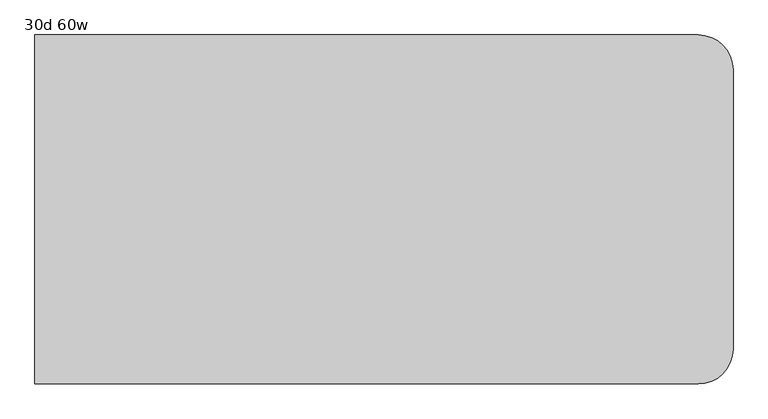
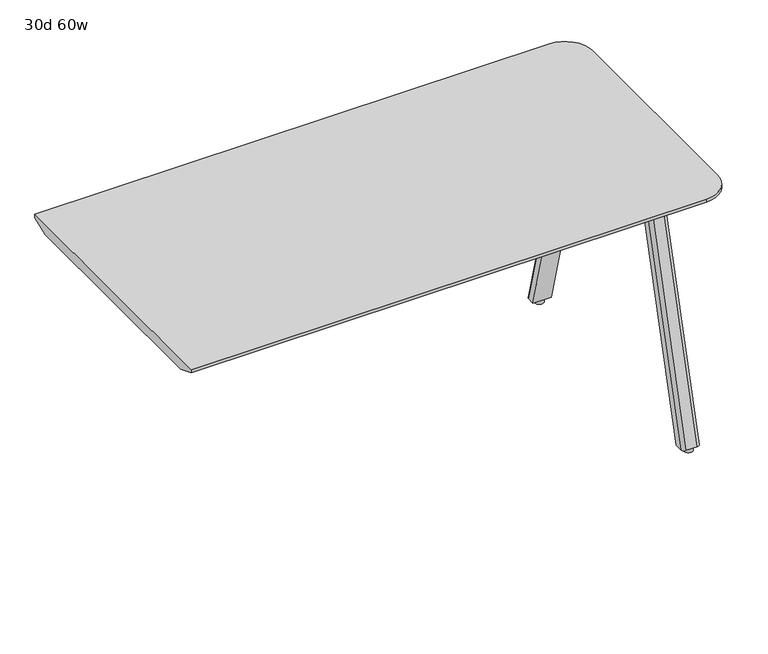
"""IFC4 building model written with IfcOpenShell, lengths in millimetres: furniture geometry, 30d 60w."""

from ifc_helpers import new_model, si_unit, point, frame, frame_2d, origin, origin_with_axes, place, context, project, spatial, polyline, circle_curve, trimmed, segment, composite_curve, outline, extrude, source, transform, mapped, element, save
from ifc_brep_helpers import plane_surface, cylinder_surface, revolved_surface, extruded_surface, advanced_brep


def furniture_30d_60w_8eb4899e(model_context):
    return source(origin(), model_context, "Body", "SolidModel", [
        extrude(outline(composite_curve([segment(polyline([(1112.4565, -101.3714359), (1004.5065004, -101.3714359)]), True, "CONTINUOUS"), segment(trimmed(circle_curve(frame_2d((1004.5065004, -91.8464359)), 9.525), [point((1004.5065004, -101.3714359))], [point((994.9815004, -91.8464359))], False, "CARTESIAN"), True, "CONTINUOUS"), segment(polyline([(994.9815004, -91.8464359), (994.9815004, -9.1730665)]), True, "CONTINUOUS"), segment(trimmed(circle_curve(frame_2d((1004.5065004, -9.1730665)), 9.525), [point((994.9815004, -9.1730665))], [point((1004.5065004, 0.3519335))], False, "CARTESIAN"), True, "CONTINUOUS"), segment(polyline([(1004.5065004, 0.3519335), (1112.4565, 0.3519335)]), True, "CONTINUOUS"), segment(trimmed(circle_curve(frame_2d((1112.4565, -9.1730665)), 9.525), [point((1112.4565, 0.3519335))], [point((1121.9815, -9.1730665))], False, "CARTESIAN"), True, "CONTINUOUS"), segment(polyline([(1121.9815, -9.1730665), (1121.9815, -91.8464359)]), True, "CONTINUOUS"), segment(trimmed(circle_curve(frame_2d((1112.4565, -91.8464359)), 9.525), [point((1121.9815, -91.8464359))], [point((1112.4565, -101.3714359))], False, "CARTESIAN"), True, "CONTINUOUS")], self_intersect=False)), frame((0.0, 0.0, 705.2055742), z_axis=(0.0, 0.0, 1.0), x_axis=(1.0, 0.0, 0.0)), (0.0, 0.0, 1.0), 5.9944258),
        advanced_brep(
        [(1106.4875, -6.8722266, 705.2055742), (1074.7375, -6.8722266, 705.2055742), (1065.2125, -16.3972266, 705.2055742), (1065.2125, -37.0347266, 705.2055742), (1116.0125, -37.0347266, 705.2055742), (1116.0125, -16.3972266, 705.2055742), (1106.4875, 179.6160641, 12.7), (1116.0125, 170.0910641, 12.7), (1116.0125, 149.4535641, 12.7), (1065.2125, 149.4535641, 12.7), (1065.2125, 170.0910641, 12.7), (1074.7375, 179.6160641, 12.7)],
        [
            (0, 1),
            (1, 2, circle_curve(frame((1074.7375, -16.3972266, 705.2055742), z_axis=(0.0, 0.0, 1.0), x_axis=(1.0, 0.0, 0.0)), 9.525)),
            (2, 3),
            (3, 4),
            (4, 5),
            (5, 0, circle_curve(frame((1106.4875, -16.3972266, 705.2055742), z_axis=(0.0, 0.0, 1.0), x_axis=(1.0, 0.0, 0.0)), 9.525)),
            (6, 7, circle_curve(frame((1106.4875, 170.0910641, 12.7), z_axis=(0.0, 0.0, -1.0), x_axis=(1.0, 0.0, 0.0)), 9.525)),
            (7, 8),
            (8, 9),
            (9, 10),
            (10, 11, circle_curve(frame((1074.7375, 170.0910641, 12.7), z_axis=(0.0, 0.0, -1.0), x_axis=(1.0, 0.0, 0.0)), 9.525)),
            (11, 6),
            (6, 0),
            (5, 7),
            (4, 8),
            (3, 9),
            (2, 10),
            (1, 11),
        ],
        [
            plane_surface(frame((1090.6125, -20.1013932, 705.2055742), z_axis=(0.0, 0.0, 1.0), x_axis=(-1.0, 0.0, 0.0))),
            plane_surface(frame((1090.6125, 166.3868975, 12.7), z_axis=(0.0, 0.0, -1.0), x_axis=(-1.0, 0.0, 0.0))),
            extruded_surface(trimmed(circle_curve(frame((1106.4875, -16.3972266, 705.2055742), z_axis=(0.0, 0.0, -1.0), x_axis=(1.0, 0.0, 0.0)), 9.525), [point((1106.4875, -6.8722266, 705.2055742))], [point((1116.0125, -16.3972266, 705.2055742))], True, "CARTESIAN"), (0.0, 186.48829070000002, -692.5055742), 717.1763052878136),
            plane_surface(frame((1116.0125, 159.7723141, 12.7), z_axis=(1.0, 0.0, 0.0), x_axis=(0.0, -1.0, 0.0))),
            plane_surface(frame((1090.6125, 149.4535641, 12.7), z_axis=(0.0, -0.9656001865922422, -0.260031305140414), x_axis=(-1.0, 0.0, 0.0))),
            plane_surface(frame((1065.2125, 159.7723141, 12.7), z_axis=(-1.0, 0.0, 0.0), x_axis=(0.0, 1.0, 0.0))),
            extruded_surface(trimmed(circle_curve(frame((1074.7375, -16.3972266, 705.2055742), z_axis=(0.0, 0.0, -1.0), x_axis=(1.0, 0.0, 0.0)), 9.525), [point((1065.2125, -16.3972266, 705.2055742))], [point((1074.7375, -6.8722266, 705.2055742))], True, "CARTESIAN"), (0.0, 186.48829070000002, -692.5055742), 717.1763052878136),
            plane_surface(frame((1090.6125, 179.6160641, 12.7), z_axis=(0.0, 0.9656001865922422, 0.260031305140414), x_axis=(1.0, 0.0, 0.0))),
        ],
        [
            (0, [[1, 2, 3, 4, 5, 6]]),
            (1, [[7, 8, 9, 10, 11, 12]]),
            (2, [[13, -6, 14, -7]]),
            (3, [[-14, -5, 15, -8]]),
            (4, [[-15, -4, 16, -9]]),
            (5, [[-16, -3, 17, -10]]),
            (6, [[-17, -2, 18, -11]]),
            (7, [[-18, -1, -13, -12]]),
        ],
    ),
        extrude(outline(composite_curve([segment(trimmed(circle_curve(frame_2d((1090.6125, 163.7410641)), 12.7), [point((1077.9125, 163.7410641))], [point((1103.3125, 163.7410641))], False, "CARTESIAN"), True, "CONTINUOUS"), segment(trimmed(circle_curve(frame_2d((1090.6125, 163.7410641)), 12.7), [point((1103.3125, 163.7410641))], [point((1077.9125, 163.7410641))], False, "CARTESIAN"), True, "CONTINUOUS")], self_intersect=False)), origin_with_axes(), (0.0, 0.0, 1.0), 12.7),
        extrude(outline(composite_curve([segment(trimmed(circle_curve(frame_2d((1112.4565, -307.6605172)), 9.525), [point((1112.4565, -298.1355172))], [point((1121.9815, -307.6605172))], False, "CARTESIAN"), True, "CONTINUOUS"), segment(polyline([(1121.9815, -307.6605172), (1121.9815, -390.3338866)]), True, "CONTINUOUS"), segment(trimmed(circle_curve(frame_2d((1112.4565, -390.3338866)), 9.525), [point((1121.9815, -390.3338866))], [point((1112.4565, -399.8588866))], False, "CARTESIAN"), True, "CONTINUOUS"), segment(polyline([(1112.4565, -399.8588866), (1004.5065004, -399.8588866)]), True, "CONTINUOUS"), segment(trimmed(circle_curve(frame_2d((1004.5065004, -390.3338866)), 9.525), [point((1004.5065004, -399.8588866))], [point((994.9815004, -390.3338866))], False, "CARTESIAN"), True, "CONTINUOUS"), segment(polyline([(994.9815004, -390.3338866), (994.9815004, -307.6605172)]), True, "CONTINUOUS"), segment(trimmed(circle_curve(frame_2d((1004.5065004, -307.6605172)), 9.525), [point((994.9815004, -307.6605172))], [point((1004.5065004, -298.1355172))], False, "CARTESIAN"), True, "CONTINUOUS"), segment(polyline([(1004.5065004, -298.1355172), (1112.4565, -298.1355172)]), True, "CONTINUOUS")], self_intersect=False)), frame((0.0, 0.0, 705.2055742), z_axis=(0.0, 0.0, 1.0), x_axis=(1.0, 0.0, 0.0)), (0.0, 0.0, 1.0), 5.9944258),
        advanced_brep(
        [(1106.4875, -392.6347266, 705.2055742), (1116.0125, -383.1097266, 705.2055742), (1116.0125, -362.4722266, 705.2055742), (1065.2125, -362.4722266, 705.2055742), (1065.2125, -383.1097266, 705.2055742), (1074.7375, -392.6347266, 705.2055742), (1106.4875, -579.1230172, 12.7), (1074.7375, -579.1230172, 12.7), (1065.2125, -569.5980172, 12.7), (1065.2125, -548.9605172, 12.7), (1116.0125, -548.9605172, 12.7), (1116.0125, -569.5980172, 12.7)],
        [
            (0, 1, circle_curve(frame((1106.4875, -383.1097266, 705.2055742), z_axis=(0.0, 0.0, 1.0), x_axis=(1.0, 0.0, 0.0)), 9.525)),
            (1, 2),
            (2, 3),
            (3, 4),
            (4, 5, circle_curve(frame((1074.7375, -383.1097266, 705.2055742), z_axis=(0.0, 0.0, 1.0), x_axis=(1.0, 0.0, 0.0)), 9.525)),
            (5, 0),
            (6, 7),
            (7, 8, circle_curve(frame((1074.7375, -569.5980172, 12.7), z_axis=(0.0, 0.0, -1.0), x_axis=(1.0, 0.0, 0.0)), 9.525)),
            (8, 9),
            (9, 10),
            (10, 11),
            (11, 6, circle_curve(frame((1106.4875, -569.5980172, 12.7), z_axis=(0.0, 0.0, -1.0), x_axis=(1.0, 0.0, 0.0)), 9.525)),
            (11, 1),
            (0, 6),
            (10, 2),
            (9, 3),
            (8, 4),
            (7, 5),
        ],
        [
            plane_surface(frame((1090.6125, -379.4055599, 705.2055742), z_axis=(0.0, 0.0, 1.0), x_axis=(-1.0, 0.0, 0.0))),
            plane_surface(frame((1090.6125, -565.8938506, 12.7), z_axis=(0.0, 0.0, -1.0), x_axis=(-1.0, 0.0, 0.0))),
            extruded_surface(trimmed(circle_curve(frame((1106.4875, -569.5980172, 12.7), z_axis=(0.0, 0.0, 1.0), x_axis=(1.0, 0.0, 0.0)), 9.525), [point((1106.4875, -579.1230172, 12.7))], [point((1116.0125, -569.5980172, 12.7))], True, "CARTESIAN"), (0.0, 186.48829059999997, 692.5055742), 717.1763052618105),
            plane_surface(frame((1116.0125, -559.2792672, 12.7), z_axis=(1.0, 0.0, 0.0), x_axis=(0.0, 1.0, 0.0))),
            plane_surface(frame((1090.6125, -548.9605172, 12.7), z_axis=(0.0, 0.9656001865922422, -0.260031305140414), x_axis=(-1.0, 0.0, 0.0))),
            plane_surface(frame((1065.2125, -559.2792672, 12.7), z_axis=(-1.0, 0.0, 0.0), x_axis=(0.0, -1.0, 0.0))),
            extruded_surface(trimmed(circle_curve(frame((1074.7375, -569.5980172, 12.7), z_axis=(0.0, 0.0, 1.0), x_axis=(1.0, 0.0, 0.0)), 9.525), [point((1065.2125, -569.5980172, 12.7))], [point((1074.7375, -579.1230172, 12.7))], True, "CARTESIAN"), (0.0, 186.48829059999997, 692.5055742), 717.1763052618105),
            plane_surface(frame((1090.6125, -579.1230172, 12.7), z_axis=(0.0, -0.9656001865922422, 0.260031305140414), x_axis=(1.0, 0.0, 0.0))),
        ],
        [
            (0, [[1, 2, 3, 4, 5, 6]]),
            (1, [[7, 8, 9, 10, 11, 12]]),
            (2, [[-12, 13, -1, 14]]),
            (3, [[-11, 15, -2, -13]]),
            (4, [[-10, 16, -3, -15]]),
            (5, [[-9, 17, -4, -16]]),
            (6, [[-8, 18, -5, -17]]),
            (7, [[-7, -14, -6, -18]]),
        ],
    ),
        extrude(outline(composite_curve([segment(trimmed(circle_curve(frame_2d((1090.6125, -563.2480172)), 12.7), [point((1077.9125, -563.2480172))], [point((1103.3125, -563.2480172))], False, "CARTESIAN"), True, "CONTINUOUS"), segment(trimmed(circle_curve(frame_2d((1090.6125, -563.2480172)), 12.7), [point((1103.3125, -563.2480172))], [point((1077.9125, -563.2480172))], False, "CARTESIAN"), True, "CONTINUOUS")], self_intersect=False)), origin_with_axes(), (0.0, 0.0, 1.0), 12.7),
        advanced_brep(
        [(1130.3, 181.2465234, 741.3625), (-317.5, 181.2465234, 741.3625), (-317.5, -580.7534766, 741.3625), (1130.3, -580.7534766, 741.3625), (1206.5, -504.5534766, 741.3625), (1206.5, 105.0465234, 741.3625), (-317.5, -529.9534766, 711.2), (-317.5, 130.4465234, 711.2), (1130.3, 130.4465234, 711.2), (1155.7, 105.0465234, 711.2), (1155.7, -504.5534766, 711.2), (1130.3, -529.9534766, 711.2), (1130.3, 181.2465234, 731.8375), (-317.5, 181.2465234, 731.8375), (-317.5, -580.7534766, 731.8375), (1130.3, -580.7534766, 731.8375), (1206.5, -504.5534766, 731.8375), (1206.5, 105.0465234, 731.8375)],
        [
            (0, 1),
            (1, 2),
            (2, 3),
            (3, 4, circle_curve(frame((1130.3, -504.5534766, 741.3625), z_axis=(0.0, 0.0, 1.0), x_axis=(1.0, 0.0, 0.0)), 76.2)),
            (4, 5),
            (5, 0, circle_curve(frame((1130.3, 105.0465234, 741.3625), z_axis=(0.0, 0.0, 1.0), x_axis=(1.0, 0.0, 0.0)), 76.2)),
            (6, 7),
            (7, 8),
            (8, 9, circle_curve(frame((1130.3, 105.0465234, 711.2), z_axis=(0.0, 0.0, -1.0), x_axis=(1.0, 0.0, 0.0)), 25.4)),
            (9, 10),
            (10, 11, circle_curve(frame((1130.3, -504.5534766, 711.2), z_axis=(0.0, 0.0, -1.0), x_axis=(0.0, -1.0, 0.0)), 25.4)),
            (11, 6),
            (0, 12),
            (12, 13),
            (13, 1),
            (13, 7),
            (6, 14),
            (14, 2),
            (14, 15),
            (15, 3),
            (4, 16),
            (16, 17),
            (17, 5),
            (11, 15),
            (10, 16),
            (16, 15, circle_curve(frame((1130.3, -504.5534766, 731.8375), z_axis=(0.0, 0.0, -1.0), x_axis=(0.0, -1.0, 0.0)), 76.2)),
            (9, 17),
            (17, 12, circle_curve(frame((1130.3, 105.0465234, 731.8375), z_axis=(0.0, 0.0, 1.0), x_axis=(1.0, 0.0, 0.0)), 76.2)),
            (8, 12),
        ],
        [
            plane_surface(frame((-317.5, 181.2465234, 741.3625), z_axis=(0.0, 0.0, 1.0), x_axis=(-1.0, 0.0, 0.0))),
            plane_surface(frame((-317.5, 181.2465234, 711.2), z_axis=(0.0, 0.0, -1.0), x_axis=(1.0, 0.0, 0.0))),
            plane_surface(frame((1130.3, 181.2465234, 741.3625), z_axis=(0.0, 1.0, 0.0), x_axis=(0.0, 0.0, -1.0))),
            plane_surface(frame((-317.5, 181.2465234, 741.3625), z_axis=(-1.0, 0.0, 0.0), x_axis=(0.0, 0.0, -1.0))),
            plane_surface(frame((-317.5, -580.7534766, 741.3625), z_axis=(0.0, -1.0, 0.0), x_axis=(0.0, 0.0, -1.0))),
            plane_surface(frame((1206.5, -504.5534766, 741.3625), z_axis=(1.0, 0.0, 0.0), x_axis=(0.0, 0.0, -1.0))),
            plane_surface(frame((-317.5, -580.7534766, 731.8375), z_axis=(0.0, -0.3763770469570871, -0.9264665771218423), x_axis=(1.0, 0.0, 0.0))),
            revolved_surface(polyline([(1130.3, -529.9534766, 711.2), (1130.3, -580.7534766, 731.8375)]), (1130.3, -504.5534766, 0.0), (0.0, 0.0, 1.0)),
            plane_surface(frame((1206.5, -504.5534766, 731.8375), z_axis=(0.3763770469570871, 0.0, -0.9264665771218423), x_axis=(0.0, 1.0, 0.0))),
            cylinder_surface(frame((1130.3, -504.5534766, 711.2), z_axis=(0.0, 0.0, 1.0), x_axis=(1.0, 0.0, 0.0)), 76.2),
            cylinder_surface(frame((1130.3, 105.0465234, 711.2), z_axis=(0.0, 0.0, 1.0), x_axis=(1.0, 0.0, 0.0)), 76.2),
            revolved_surface(polyline([(1155.7, 105.0465234, 711.2), (1206.5, 105.0465234, 731.8375)]), (1130.3, 105.0465234, 0.0), (0.0, 0.0, 1.0)),
            plane_surface(frame((1130.3, 181.2465234, 731.8375), z_axis=(0.0, 0.3763770469570871, -0.9264665771218423), x_axis=(-1.0, 0.0, 0.0))),
        ],
        [
            (0, [[1, 2, 3, 4, 5, 6]]),
            (1, [[7, 8, 9, 10, 11, 12]]),
            (2, [[-1, 13, 14, 15]]),
            (3, [[-2, -15, 16, -7, 17, 18]]),
            (4, [[-3, -18, 19, 20]]),
            (5, [[-5, 21, 22, 23]]),
            (6, [[24, -19, -17, -12]]),
            (7, [[-24, -11, 25, 26]]),
            (8, [[-25, -10, 27, -22]]),
            (9, [[-4, -20, -26, -21]]),
            (10, [[-6, -23, 28, -13]]),
            (11, [[-27, -9, 29, -28]]),
            (12, [[-29, -8, -16, -14]]),
        ],
    ),
    ])


if __name__ == "__main__":
    model = new_model("IFC4")
    model_context = context("Model", 3, world=origin())
    ifc_project = project(units=[si_unit("LENGTHUNIT", "METRE", prefix="MILLI")], contexts=[model_context])
    site = spatial("IfcSite", under=ifc_project)
    building = spatial("IfcBuilding", under=site)
    placement = place(None, origin())
    furniture_30d_60w_shape = furniture_30d_60w_8eb4899e(model_context)
    element("IfcFurniture", 1, ObjectType="30d 60w", at=placement, inside=building, context=model_context, shape_type="MappedRepresentation", body=[
        mapped(furniture_30d_60w_shape, transform((0.0, 0.0, 0.0), x_axis=(1.0, 0.0, 0.0), y_axis=(0.0, 1.0, 0.0), z_axis=(0.0, 0.0, 1.0))),
    ])
    save(model, "model.ifc")
